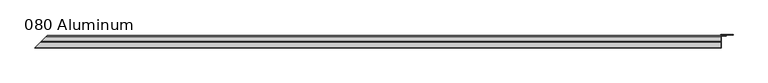
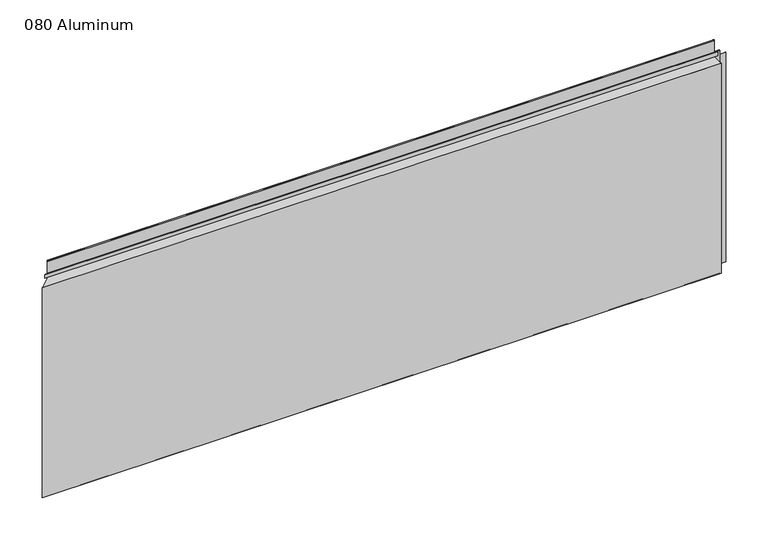
"""IFC4 building model written with IfcOpenShell, lengths in millimetres: plate geometry, 080 Aluminum."""

from ifc_helpers import new_model, si_unit, frame, origin, origin_with_axes, place, context, project, spatial, polyline, circle_curve, ellipse_curve, outline, extrude, source, transform, mapped, element, save
from ifc_brep_helpers import plane_surface, cylinder_surface, revolved_surface, advanced_brep


def plate_080_aluminum_2221ff05(model_context):
    return source(origin(), model_context, "Body", "SolidModel", [
        advanced_brep(
        [(906.4752, -16.6765477, 13.1458337), (906.4752, -23.0264743, 13.124237), (906.4752, -23.0264743, 1.2693678), (906.4752, -34.7980002, 1.2693678), (906.4752, -34.7980002, 0.0), (906.4752, -21.7564743, 0.0), (906.4752, -21.7564743, 13.124237), (906.4752, -17.9464915, 13.1323356), (906.4752, -17.9464915, 2.786437), (906.4752, -16.6765477, 2.786437), (-937.1217477, -16.6765477, 2.786437), (-937.1217477, -16.6765477, 13.1458337), (-938.3916915, -17.9464915, 2.786437), (-938.3916915, -17.9464915, 13.1323356), (-942.2016743, -21.7564743, 13.124237), (-942.2016743, -21.7564743, 0.0), (-955.2432, -34.7980002, 0.0), (-955.2432, -34.7980002, 1.2693678), (-943.4716743, -23.0264743, 1.2693678), (-943.4716743, -23.0264743, 13.124237)],
        [
            (0, 1, circle_curve(frame((906.4752, -19.8514743, 13.124237), z_axis=(1.0, 0.0, 0.0), x_axis=(0.0, 0.0, -1.0)), 3.175)),
            (1, 2),
            (2, 3),
            (3, 4),
            (4, 5),
            (5, 6),
            (6, 7, circle_curve(frame((906.4752, -19.8514743, 13.124237), z_axis=(-1.0, 0.0, 0.0), x_axis=(0.0, 0.0, -1.0)), 1.905)),
            (7, 8),
            (8, 9),
            (9, 0),
            (9, 10),
            (10, 11),
            (11, 0),
            (8, 12),
            (12, 10),
            (7, 13),
            (13, 12),
            (6, 14),
            (14, 13, ellipse_curve(frame((-940.2966743, -19.8514743, 13.124237), z_axis=(-0.7071067811865466, 0.7071067811865486, 0.0), x_axis=(0.7071067811865483, 0.7071067811865466, 0.0)), 2.6940768, 1.905)),
            (5, 15),
            (15, 14),
            (4, 16),
            (16, 15),
            (3, 17),
            (17, 16),
            (2, 18),
            (18, 17),
            (1, 19),
            (19, 18),
            (11, 19, ellipse_curve(frame((-940.2966743, -19.8514743, 13.124237), z_axis=(0.7071067811865466, -0.7071067811865486, 0.0), x_axis=(-0.7071067811865483, -0.7071067811865466, 0.0)), 4.4901281, 3.175)),
        ],
        [
            plane_surface(frame((906.4752, -36.068, 0.0), z_axis=(1.0, 0.0, 0.0), x_axis=(0.0, 0.0, 1.0))),
            plane_surface(frame((-955.2432, -16.6765477, 13.1458337), z_axis=(0.0, 1.0, 0.0), x_axis=(1.0, 0.0, 0.0))),
            plane_surface(frame((-955.2432, -16.6765477, 2.786437), z_axis=(0.0, 0.0, -1.0), x_axis=(1.0, 0.0, 0.0))),
            plane_surface(frame((-955.2432, -17.9464915, 2.786437), z_axis=(0.0, -1.0, 0.0), x_axis=(1.0, 0.0, 0.0))),
            revolved_surface(polyline([(906.4752, -19.8514743, 11.219237000000001), (-942.2016743, -19.8514743, 11.219237000000001)]), (-955.2432, -19.8514743, 13.124237), (1.0, 0.0, 0.0)),
            plane_surface(frame((-955.2432, -21.7564743, 13.124237), z_axis=(0.0, 1.0, 0.0), x_axis=(1.0, 0.0, 0.0))),
            plane_surface(frame((-955.2432, -21.7564743, 0.0), z_axis=(0.0, 0.0, -1.0), x_axis=(1.0, 0.0, 0.0))),
            plane_surface(frame((-955.2432, -34.7980002, 0.0), z_axis=(0.0, -1.0, 0.0), x_axis=(1.0, 0.0, 0.0))),
            plane_surface(frame((-955.2432, -34.7980002, 1.2693678), z_axis=(0.0, 0.0, 1.0), x_axis=(1.0, 0.0, 0.0))),
            plane_surface(frame((-955.2432, -23.0264743, 1.2693678), z_axis=(0.0, -1.0, 0.0), x_axis=(1.0, 0.0, 0.0))),
            cylinder_surface(frame((-955.2432, -19.8514743, 13.124237), z_axis=(-1.0, 0.0, 0.0), x_axis=(0.0, 0.0, -1.0)), 3.175),
            plane_surface(frame((-956.5132, -36.068, 795.4549971), z_axis=(-0.7071067811865466, 0.7071067811865486, 0.0), x_axis=(0.0, 0.0, -1.0))),
        ],
        [
            (0, [[1, 2, 3, 4, 5, 6, 7, 8, 9, 10]]),
            (1, [[-10, 11, 12, 13]]),
            (2, [[-9, 14, 15, -11]]),
            (3, [[-8, 16, 17, -14]]),
            (4, [[-7, 18, 19, -16]]),
            (5, [[-6, 20, 21, -18]]),
            (6, [[-5, 22, 23, -20]]),
            (7, [[-4, 24, 25, -22]]),
            (8, [[-3, 26, 27, -24]]),
            (9, [[-2, 28, 29, -26]]),
            (10, [[-1, -13, 30, -28]]),
            (11, [[-12, -15, -17, -19, -21, -23, -25, -27, -29, -30]]),
        ],
    ),
        advanced_brep(
        [(906.4752, -2.0574743, 656.7932001), (906.4752, -5.3594742, 656.7932001), (906.4752, -5.3594742, 623.57), (906.4752, -19.2164743, 623.57), (906.4752, -19.2164743, 633.6538), (906.4752, -20.4864742, 633.6538), (906.4752, -20.4864742, 622.3), (906.4752, -4.0894742, 622.3), (906.4752, -4.0894742, 656.7932001), (906.4752, -3.3274743, 656.7932001), (906.4752, -3.3274743, 609.6000001), (906.4752, -34.7980002, 609.6000001), (906.4752, -34.7980002, 608.33), (906.4752, -2.0574743, 608.33), (-922.5026743, -2.0574743, 608.33), (-922.5026743, -2.0574743, 656.7932001), (-955.2432, -34.7980002, 608.33), (-955.2432, -34.7980002, 609.6000001), (-923.7726743, -3.3274743, 609.6000001), (-923.7726743, -3.3274743, 656.7932001), (-924.5346742, -4.0894742, 656.7932001), (-924.5346742, -4.0894742, 622.3), (-940.9316742, -20.4864742, 622.3), (-940.9316742, -20.4864742, 633.6538), (-939.6616743, -19.2164743, 633.6538), (-939.6616743, -19.2164743, 623.57), (-925.8046742, -5.3594742, 623.57), (-925.8046742, -5.3594742, 656.7932001)],
        [
            (0, 1, circle_curve(frame((906.4752, -3.7084742, 656.7932001), z_axis=(1.0, 0.0, 0.0), x_axis=(0.0, 0.0, -1.0)), 1.6509999)),
            (1, 2),
            (2, 3),
            (3, 4),
            (4, 5),
            (5, 6),
            (6, 7),
            (7, 8),
            (8, 9, circle_curve(frame((906.4752, -3.7084742, 656.7932001), z_axis=(-1.0, 0.0, 0.0), x_axis=(0.0, 0.0, -1.0)), 0.3809999)),
            (9, 10),
            (10, 11),
            (11, 12),
            (12, 13),
            (13, 0),
            (13, 14),
            (14, 15),
            (15, 0),
            (12, 16),
            (16, 14),
            (11, 17),
            (17, 16),
            (10, 18),
            (18, 17),
            (9, 19),
            (19, 18),
            (8, 20),
            (20, 19, ellipse_curve(frame((-924.1536742, -3.7084742, 656.7932001), z_axis=(-0.7071067811865466, 0.7071067811865486, 0.0), x_axis=(0.7071067811865483, 0.7071067811865466, 0.0)), 0.5388153, 0.3809999)),
            (7, 21),
            (21, 20),
            (6, 22),
            (22, 21),
            (5, 23),
            (23, 22),
            (4, 24),
            (24, 23),
            (3, 25),
            (25, 24),
            (2, 26),
            (26, 25),
            (1, 27),
            (27, 26),
            (15, 27, ellipse_curve(frame((-924.1536742, -3.7084742, 656.7932001), z_axis=(0.7071067811865466, -0.7071067811865486, 0.0), x_axis=(-0.7071067811865483, -0.7071067811865466, 0.0)), 2.3348665, 1.6509999)),
        ],
        [
            plane_surface(frame((906.4752, -36.068, 609.6), z_axis=(1.0, 0.0, 0.0), x_axis=(0.0, 0.0, 1.0))),
            plane_surface(frame((-955.2432, -2.0574743, 656.7932001), z_axis=(0.0, 1.0, 0.0), x_axis=(1.0, 0.0, 0.0))),
            plane_surface(frame((-955.2432, -2.0574743, 608.33), z_axis=(0.0, 0.0, -1.0), x_axis=(1.0, 0.0, 0.0))),
            plane_surface(frame((-955.2432, -34.7980002, 608.33), z_axis=(0.0, -1.0, 0.0), x_axis=(1.0, 0.0, 0.0))),
            plane_surface(frame((-955.2432, -34.7980002, 609.6000001), z_axis=(0.0, 0.0, 1.0), x_axis=(1.0, 0.0, 0.0))),
            plane_surface(frame((-955.2432, -3.3274743, 609.6000001), z_axis=(0.0, -1.0, 0.0), x_axis=(1.0, 0.0, 0.0))),
            revolved_surface(polyline([(906.4752, -3.7084742, 656.4122002), (-924.5346742, -3.7084742, 656.4122002)]), (-955.2432, -3.7084742, 656.7932001), (1.0, 0.0, 0.0)),
            plane_surface(frame((-955.2432, -4.0894742, 656.7932001), z_axis=(0.0, 1.0, 0.0), x_axis=(1.0, 0.0, 0.0))),
            plane_surface(frame((-955.2432, -4.0894742, 622.3), z_axis=(0.0, 0.0, -1.0), x_axis=(1.0, 0.0, 0.0))),
            plane_surface(frame((-955.2432, -20.4864742, 622.3), z_axis=(0.0, -1.0, 0.0), x_axis=(1.0, 0.0, 0.0))),
            plane_surface(frame((-955.2432, -20.4864742, 633.6538), z_axis=(0.0, 0.0, 1.0), x_axis=(1.0, 0.0, 0.0))),
            plane_surface(frame((-955.2432, -19.2164743, 633.6538), z_axis=(0.0, 1.0, 0.0), x_axis=(1.0, 0.0, 0.0))),
            plane_surface(frame((-955.2432, -19.2164743, 623.57), z_axis=(0.0, 0.0, 1.0), x_axis=(1.0, 0.0, 0.0))),
            plane_surface(frame((-955.2432, -5.3594742, 623.57), z_axis=(0.0, -1.0, 0.0), x_axis=(1.0, 0.0, 0.0))),
            cylinder_surface(frame((-955.2432, -3.7084742, 656.7932001), z_axis=(-1.0, 0.0, 0.0), x_axis=(0.0, 0.0, -1.0)), 1.6509999),
            plane_surface(frame((-956.5132, -36.068, 795.4549971), z_axis=(-0.7071067811865466, 0.7071067811865486, 0.0), x_axis=(0.0, 0.0, -1.0))),
        ],
        [
            (0, [[1, 2, 3, 4, 5, 6, 7, 8, 9, 10, 11, 12, 13, 14]]),
            (1, [[-14, 15, 16, 17]]),
            (2, [[-13, 18, 19, -15]]),
            (3, [[-12, 20, 21, -18]]),
            (4, [[-11, 22, 23, -20]]),
            (5, [[-10, 24, 25, -22]]),
            (6, [[-9, 26, 27, -24]]),
            (7, [[-8, 28, 29, -26]]),
            (8, [[-7, 30, 31, -28]]),
            (9, [[-6, 32, 33, -30]]),
            (10, [[-5, 34, 35, -32]]),
            (11, [[-4, 36, 37, -34]]),
            (12, [[-3, 38, 39, -36]]),
            (13, [[-2, 40, 41, -38]]),
            (14, [[-1, -17, 42, -40]]),
            (15, [[-16, -19, -21, -23, -25, -27, -29, -31, -33, -35, -37, -39, -41, -42]]),
        ],
    ),
        extrude(outline(polyline([(907.7452, -34.7980001), (907.7452, -36.068), (-956.5132, -36.068), (-955.2432001, -34.7980001), (907.7452, -34.7980001)])), origin_with_axes(), (0.0, 0.0, 1.0), 609.6),
        extrude(outline(polyline([(907.7452, -1.2699999), (907.7452, -34.7980002), (906.4752001, -34.7980002), (906.4752001, 0.0), (940.2572856, 0.0), (940.2572856, -1.2699999), (907.7452, -1.2699999)])), origin_with_axes(), (0.0, 0.0, 1.0), 608.33),
        extrude(outline(polyline([(906.4752, -3.3274743), (906.4752, -2.0574743), (922.2231999, -2.0574743), (922.2231999, -3.3274743), (906.4752, -3.3274743)])), origin_with_axes(), (0.0, 0.0, 1.0), 622.3),
    ])


if __name__ == "__main__":
    model = new_model("IFC4")
    model_context = context("Model", 3, world=origin())
    ifc_project = project(units=[si_unit("LENGTHUNIT", "METRE", prefix="MILLI")], contexts=[model_context])
    site = spatial("IfcSite", under=ifc_project)
    building = spatial("IfcBuilding", under=site)
    placement = place(None, origin())
    plate_080_aluminum_shape = plate_080_aluminum_2221ff05(model_context)
    element("IfcPlate", 1, ObjectType="080 Aluminum", at=placement, inside=building, context=model_context, shape_type="MappedRepresentation", body=[
        mapped(plate_080_aluminum_shape, transform((0.0, 0.0, 0.0), x_axis=(1.0, 0.0, 0.0), y_axis=(0.0, 1.0, 0.0), z_axis=(0.0, 0.0, 1.0))),
    ])
    save(model, "model.ifc")
